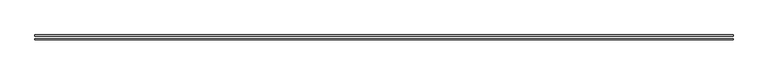
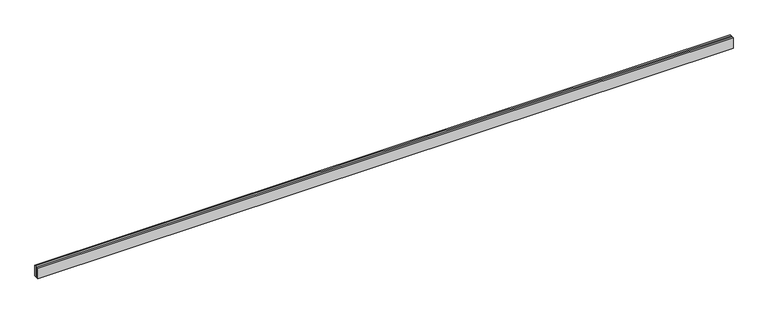
"""IFC4 building model written with IfcOpenShell, lengths in millimetres: proxy geometry."""

from ifc_helpers import new_model, si_unit, origin, origin_with_axes, place, context, project, spatial, polyline, outline, extrude, source, transform, mapped, element, save


def generic_models_be1b4f53(model_context):
    return source(origin(), model_context, "Body", "SweptSolid", [
        extrude(outline(polyline([(15424.2640687, -25.0), (15424.2640687, -55.0), (0.0, -55.0), (0.0, -25.0), (15424.2640687, -25.0)])), origin_with_axes(), (0.0, 0.0, 1.0), 250.0),
        extrude(outline(polyline([(15424.2640687, 55.0), (15424.2640687, 25.0), (0.0, 25.0), (0.0, 55.0), (15424.2640687, 55.0)])), origin_with_axes(), (0.0, 0.0, 1.0), 250.0),
    ])


if __name__ == "__main__":
    model = new_model("IFC4")
    model_context = context("Model", 3, world=origin())
    ifc_project = project(units=[si_unit("LENGTHUNIT", "METRE", prefix="MILLI")], contexts=[model_context])
    site = spatial("IfcSite", under=ifc_project)
    building = spatial("IfcBuilding", under=site)
    placement = place(None, origin())
    generic_models_shape = generic_models_be1b4f53(model_context)
    element("IfcBuildingElementProxy", 1, Name="Generic Models", at=placement, inside=building, context=model_context, shape_type="MappedRepresentation", body=[
        mapped(generic_models_shape, transform((0.0, 0.0, 0.0), x_axis=(1.0, 0.0, 0.0), y_axis=(0.0, 1.0, 0.0), z_axis=(0.0, 0.0, 1.0))),
    ])
    save(model, "model.ifc")
